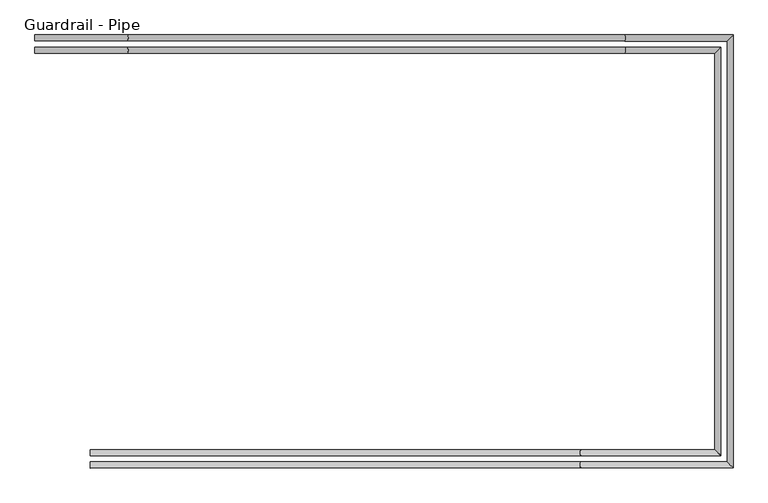
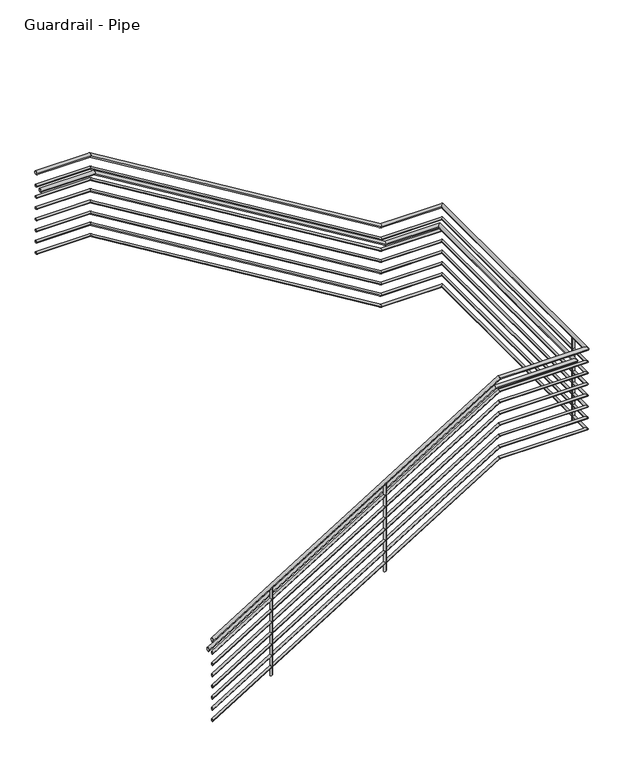
"""IFC4 building model written with IfcOpenShell, lengths in millimetres: railing geometry, Guardrail - Pipe."""

from ifc_helpers import new_model, si_unit, point, frame, frame_2d, origin, place, context, project, spatial, circle_curve, ellipse_curve, trimmed, segment, composite_curve, outline, extrude, source, transform, mapped, element, save
from ifc_brep_helpers import plane_surface, cylinder_surface, advanced_brep


def guardrail_pipe_08a5938f(model_context):
    return source(origin(), model_context, "Body", "SolidModel", [
        advanced_brep(
        [(2369.5904629, -21101.8840928, 5010.15), (2369.5904629, -21063.7840928, 5010.15), (2948.4563775, -21101.8840928, 5010.15), (2948.4563775, -21063.7840928, 5010.15), (6067.1266852, -21101.8840928, 3115.0891304), (6067.1266852, -21063.7840928, 3115.0891304), (6709.6952881, -21101.8840928, 3115.0891304), (6747.7952881, -21063.7840928, 3115.0891304), (6709.6952881, -23740.9587769, 3115.0891304), (6747.7952881, -23779.0587769, 3115.0891304), (5794.3463133, -23740.9587769, 3115.0891304), (5794.3463133, -23779.0587769, 3115.0891304), (2715.5452881, -23740.9587769, 1216.6979844), (2715.5452881, -23779.0587769, 1216.6979844)],
        [
            (0, 1, circle_curve(frame((2369.5904629, -21082.8340928, 5010.15), z_axis=(-1.0, 0.0, 0.0), x_axis=(0.0, 1.0, 0.0)), 19.05)),
            (1, 0, circle_curve(frame((2369.5904629, -21082.8340928, 5010.15), z_axis=(-1.0, 0.0, 0.0), x_axis=(0.0, 1.0, 0.0)), 19.05)),
            (0, 2),
            (2, 3, ellipse_curve(frame((2948.4563775, -21082.8340928, 5010.15), z_axis=(-0.9629628986433271, 0.0, 0.26963392931239477), x_axis=(-0.2696339293123945, 0.0, -0.9629628986433272)), 19.7826936, 19.05)),
            (3, 1),
            (3, 2, ellipse_curve(frame((2948.4563775, -21082.8340928, 5010.15), z_axis=(-0.9629628986433271, 0.0, 0.26963392931239477), x_axis=(-0.2696339293123945, 0.0, -0.9629628986433272)), 19.7826936, 19.05)),
            (2, 4),
            (4, 5, ellipse_curve(frame((6067.1266852, -21082.8340928, 3115.0891304), z_axis=(-0.9629628986433271, 0.0, 0.26963392931239477), x_axis=(0.2696339293123949, 0.0, 0.9629628986433271)), 19.7826936, 19.05)),
            (5, 3),
            (5, 4, ellipse_curve(frame((6067.1266852, -21082.8340928, 3115.0891304), z_axis=(-0.9629628986433271, 0.0, 0.26963392931239477), x_axis=(0.2696339293123949, 0.0, 0.9629628986433271)), 19.7826936, 19.05)),
            (4, 6),
            (6, 7, ellipse_curve(frame((6728.7452881, -21082.8340928, 3115.0891304), z_axis=(-0.7071067811865449, 0.70710678118655, 0.0), x_axis=(-0.7071067811865501, -0.7071067811865448, 0.0)), 26.9407684, 19.05)),
            (7, 5),
            (7, 6, ellipse_curve(frame((6728.7452881, -21082.8340928, 3115.0891304), z_axis=(-0.7071067811865449, 0.70710678118655, 0.0), x_axis=(-0.7071067811865501, -0.7071067811865448, 0.0)), 26.9407684, 19.05)),
            (6, 8),
            (8, 9, ellipse_curve(frame((6728.7452881, -23760.0087769, 3115.0891304), z_axis=(0.7071067811865501, 0.707106781186545, 0.0), x_axis=(-0.7071067811865451, 0.70710678118655, 0.0)), 26.9407684, 19.05)),
            (9, 7),
            (9, 8, ellipse_curve(frame((6728.7452881, -23760.0087769, 3115.0891304), z_axis=(0.7071067811865501, 0.707106781186545, 0.0), x_axis=(-0.7071067811865451, 0.70710678118655, 0.0)), 26.9407684, 19.05)),
            (8, 10),
            (10, 11, ellipse_curve(frame((5794.3463133, -23760.0087769, 3115.0891304), z_axis=(0.9620800176482948, 0.0, 0.2727673727590179), x_axis=(0.2727673727590174, 0.0, -0.9620800176482948)), 19.8008478, 19.05)),
            (11, 9),
            (11, 10, ellipse_curve(frame((5794.3463133, -23760.0087769, 3115.0891304), z_axis=(0.9620800176482948, 0.0, 0.2727673727590179), x_axis=(0.2727673727590174, 0.0, -0.9620800176482948)), 19.8008478, 19.05)),
            (12, 13, ellipse_curve(frame((2715.5452881, -23760.0087769, 1216.6979844), z_axis=(-1.0, 0.0, 0.0), x_axis=(0.0, 0.0, 1.0)), 22.3802764, 19.05)),
            (13, 12, ellipse_curve(frame((2715.5452881, -23760.0087769, 1216.6979844), z_axis=(-1.0, 0.0, 0.0), x_axis=(0.0, 0.0, 1.0)), 22.3802764, 19.05)),
            (10, 12),
            (13, 11),
        ],
        [
            plane_surface(frame((2369.5904629, -21082.8340928, 5029.2), z_axis=(-1.0, 0.0, 0.0), x_axis=(0.0, 1.0, 0.0))),
            cylinder_surface(frame((2369.5904629, -21082.8340928, 5010.15), z_axis=(-1.0, 0.0, 0.0), x_axis=(0.0, 1.0, 0.0)), 19.05),
            cylinder_surface(frame((2943.8978943, -21082.8340928, 5012.9199636), z_axis=(-0.8545950883271171, 0.0, 0.5192949402865072), x_axis=(0.0, 1.0, 0.0)), 19.05),
            cylinder_surface(frame((6072.4607706, -21082.8340928, 3115.0891304), z_axis=(-1.0, 0.0, 0.0), x_axis=(0.0, 1.0, 0.0)), 19.05),
            cylinder_surface(frame((6728.7452881, -21082.8340928, 3115.0891304), z_axis=(0.0, 1.0, 0.0), x_axis=(1.0, 0.0, 0.0)), 19.05),
            cylinder_surface(frame((6728.7452881, -23760.0087769, 3115.0891304), z_axis=(1.0, 0.0, 0.0), x_axis=(0.0, -1.0, 0.0)), 19.05),
            plane_surface(frame((2715.5452881, -23760.0087769, 1239.0782609), z_axis=(-1.0, 0.0, 0.0), x_axis=(0.0, -1.0, 0.0))),
            cylinder_surface(frame((5798.943644, -23760.0087769, 3117.9238481), z_axis=(0.851195920716286, 0.0, 0.5248480775957498), x_axis=(0.0, -1.0, 0.0)), 19.05),
        ],
        [
            (0, [[1, 2]]),
            (1, [[-1, 3, 4, 5]]),
            (1, [[-2, -5, 6, -3]]),
            (2, [[-4, 7, 8, 9]]),
            (2, [[-6, -9, 10, -7]]),
            (3, [[-8, 11, 12, 13]]),
            (3, [[-10, -13, 14, -11]]),
            (4, [[-12, 15, 16, 17]]),
            (4, [[-14, -17, 18, -15]]),
            (5, [[-16, 19, 20, 21]]),
            (5, [[-18, -21, 22, -19]]),
            (6, [[23, 24]]),
            (7, [[-20, 25, -24, 26]]),
            (7, [[-22, -26, -23, -25]]),
        ],
    ),
        advanced_brep(
        [(2369.5904629, -21095.5340928, 4864.1), (2369.5904629, -21070.1340928, 4864.1), (2950.2344059, -21095.5340928, 4864.1), (2950.2344059, -21070.1340928, 4864.1), (6068.9047136, -21095.5340928, 2969.0391304), (6068.9047136, -21070.1340928, 2969.0391304), (6716.0452881, -21095.5340928, 2969.0391304), (6741.4452881, -21070.1340928, 2969.0391304), (6716.0452881, -23747.3087769, 2969.0391304), (6741.4452881, -23772.7087769, 2969.0391304), (5792.5459716, -23747.3087769, 2969.0391304), (5792.5459716, -23772.7087769, 2969.0391304), (2715.5452881, -23747.3087769, 1071.7580766), (2715.5452881, -23772.7087769, 1071.7580766)],
        [
            (0, 1, circle_curve(frame((2369.5904629, -21082.8340928, 4864.1), z_axis=(-1.0, 0.0, 0.0), x_axis=(0.0, 1.0, 0.0)), 12.7)),
            (1, 0, circle_curve(frame((2369.5904629, -21082.8340928, 4864.1), z_axis=(-1.0, 0.0, 0.0), x_axis=(0.0, 1.0, 0.0)), 12.7)),
            (0, 2),
            (2, 3, ellipse_curve(frame((2950.2344059, -21082.8340928, 4864.1), z_axis=(-0.9629628986433271, 0.0, 0.26963392931239477), x_axis=(-0.2696339293123945, 0.0, -0.9629628986433272)), 13.1884624, 12.7)),
            (3, 1),
            (3, 2, ellipse_curve(frame((2950.2344059, -21082.8340928, 4864.1), z_axis=(-0.9629628986433271, 0.0, 0.26963392931239477), x_axis=(-0.2696339293123945, 0.0, -0.9629628986433272)), 13.1884624, 12.7)),
            (2, 4),
            (4, 5, ellipse_curve(frame((6068.9047136, -21082.8340928, 2969.0391304), z_axis=(-0.9629628986433271, 0.0, 0.26963392931239477), x_axis=(0.2696339293123949, 0.0, 0.9629628986433271)), 13.1884624, 12.7)),
            (5, 3),
            (5, 4, ellipse_curve(frame((6068.9047136, -21082.8340928, 2969.0391304), z_axis=(-0.9629628986433271, 0.0, 0.26963392931239477), x_axis=(0.2696339293123949, 0.0, 0.9629628986433271)), 13.1884624, 12.7)),
            (4, 6),
            (6, 7, ellipse_curve(frame((6728.7452881, -21082.8340928, 2969.0391304), z_axis=(-0.7071067811865449, 0.70710678118655, 0.0), x_axis=(-0.7071067811865501, -0.7071067811865448, 0.0)), 17.9605122, 12.7)),
            (7, 5),
            (7, 6, ellipse_curve(frame((6728.7452881, -21082.8340928, 2969.0391304), z_axis=(-0.7071067811865449, 0.70710678118655, 0.0), x_axis=(-0.7071067811865501, -0.7071067811865448, 0.0)), 17.9605122, 12.7)),
            (6, 8),
            (8, 9, ellipse_curve(frame((6728.7452881, -23760.0087769, 2969.0391304), z_axis=(0.7071067811865501, 0.707106781186545, 0.0), x_axis=(-0.7071067811865451, 0.70710678118655, 0.0)), 17.9605122, 12.7)),
            (9, 7),
            (9, 8, ellipse_curve(frame((6728.7452881, -23760.0087769, 2969.0391304), z_axis=(0.7071067811865501, 0.707106781186545, 0.0), x_axis=(-0.7071067811865451, 0.70710678118655, 0.0)), 17.9605122, 12.7)),
            (8, 10),
            (10, 11, ellipse_curve(frame((5792.5459716, -23760.0087769, 2969.0391304), z_axis=(0.9620800176482948, 0.0, 0.2727673727590179), x_axis=(0.2727673727590174, 0.0, -0.9620800176482948)), 13.2005652, 12.7)),
            (11, 9),
            (11, 10, ellipse_curve(frame((5792.5459716, -23760.0087769, 2969.0391304), z_axis=(0.9620800176482948, 0.0, 0.2727673727590179), x_axis=(0.2727673727590174, 0.0, -0.9620800176482948)), 13.2005652, 12.7)),
            (12, 13, ellipse_curve(frame((2715.5452881, -23760.0087769, 1071.7580766), z_axis=(-1.0, 0.0, 0.0), x_axis=(0.0, 0.0, 1.0)), 14.9201843, 12.7)),
            (13, 12, ellipse_curve(frame((2715.5452881, -23760.0087769, 1071.7580766), z_axis=(-1.0, 0.0, 0.0), x_axis=(0.0, 0.0, 1.0)), 14.9201843, 12.7)),
            (10, 12),
            (13, 11),
        ],
        [
            plane_surface(frame((2369.5904629, -21082.8340928, 4876.8), z_axis=(-1.0, 0.0, 0.0), x_axis=(0.0, 1.0, 0.0))),
            cylinder_surface(frame((2369.5904629, -21082.8340928, 4864.1), z_axis=(-1.0, 0.0, 0.0), x_axis=(0.0, 1.0, 0.0)), 12.7),
            cylinder_surface(frame((2947.1954171, -21082.8340928, 4865.9466424), z_axis=(-0.8545950883271171, 0.0, 0.5192949402865072), x_axis=(0.0, 1.0, 0.0)), 12.7),
            cylinder_surface(frame((6072.4607706, -21082.8340928, 2969.0391304), z_axis=(-1.0, 0.0, 0.0), x_axis=(0.0, 1.0, 0.0)), 12.7),
            cylinder_surface(frame((6728.7452881, -21082.8340928, 2969.0391304), z_axis=(0.0, 1.0, 0.0), x_axis=(1.0, 0.0, 0.0)), 12.7),
            cylinder_surface(frame((6728.7452881, -23760.0087769, 2969.0391304), z_axis=(1.0, 0.0, 0.0), x_axis=(0.0, -1.0, 0.0)), 12.7),
            plane_surface(frame((2715.5452881, -23760.0087769, 1086.6782609), z_axis=(-1.0, 0.0, 0.0), x_axis=(0.0, -1.0, 0.0))),
            cylinder_surface(frame((5795.6108587, -23760.0087769, 2970.9289422), z_axis=(0.851195920716286, 0.0, 0.5248480775957498), x_axis=(0.0, -1.0, 0.0)), 12.7),
        ],
        [
            (0, [[1, 2]]),
            (1, [[-1, 3, 4, 5]]),
            (1, [[-2, -5, 6, -3]]),
            (2, [[-4, 7, 8, 9]]),
            (2, [[-6, -9, 10, -7]]),
            (3, [[-8, 11, 12, 13]]),
            (3, [[-10, -13, 14, -11]]),
            (4, [[-12, 15, 16, 17]]),
            (4, [[-14, -17, 18, -15]]),
            (5, [[-16, 19, 20, 21]]),
            (5, [[-18, -21, 22, -19]]),
            (6, [[23, 24]]),
            (7, [[-20, 25, -24, 26]]),
            (7, [[-22, -26, -23, -25]]),
        ],
    ),
        advanced_brep(
        [(2369.5904629, -21178.0840928, 4857.75), (2369.5904629, -21139.9840928, 4857.75), (2948.4563775, -21178.0840928, 4857.75), (2948.4563775, -21139.9840928, 4857.75), (6067.1266852, -21178.0840928, 2962.6891304), (6067.1266852, -21139.9840928, 2962.6891304), (6633.4952881, -21178.0840928, 2962.6891304), (6671.5952881, -21139.9840928, 2962.6891304), (6633.4952881, -23664.7587769, 2962.6891304), (6671.5952881, -23702.8587769, 2962.6891304), (5794.3463133, -23664.7587769, 2962.6891304), (5794.3463133, -23702.8587769, 2962.6891304), (2715.5452881, -23664.7587769, 1064.2979844), (2715.5452881, -23702.8587769, 1064.2979844)],
        [
            (0, 1, circle_curve(frame((2369.5904629, -21159.0340928, 4857.75), z_axis=(-1.0, 0.0, 0.0), x_axis=(0.0, 1.0, 0.0)), 19.05)),
            (1, 0, circle_curve(frame((2369.5904629, -21159.0340928, 4857.75), z_axis=(-1.0, 0.0, 0.0), x_axis=(0.0, 1.0, 0.0)), 19.05)),
            (0, 2),
            (2, 3, ellipse_curve(frame((2948.4563775, -21159.0340928, 4857.75), z_axis=(-0.9629628986433271, 0.0, 0.26963392931239477), x_axis=(-0.2696339293123945, 0.0, -0.9629628986433272)), 19.7826936, 19.05)),
            (3, 1),
            (3, 2, ellipse_curve(frame((2948.4563775, -21159.0340928, 4857.75), z_axis=(-0.9629628986433271, 0.0, 0.26963392931239477), x_axis=(-0.2696339293123945, 0.0, -0.9629628986433272)), 19.7826936, 19.05)),
            (2, 4),
            (4, 5, ellipse_curve(frame((6067.1266852, -21159.0340928, 2962.6891304), z_axis=(-0.9629628986433271, 0.0, 0.26963392931239477), x_axis=(0.2696339293123949, 0.0, 0.9629628986433271)), 19.7826936, 19.05)),
            (5, 3),
            (5, 4, ellipse_curve(frame((6067.1266852, -21159.0340928, 2962.6891304), z_axis=(-0.9629628986433271, 0.0, 0.26963392931239477), x_axis=(0.2696339293123949, 0.0, 0.9629628986433271)), 19.7826936, 19.05)),
            (4, 6),
            (6, 7, ellipse_curve(frame((6652.5452881, -21159.0340928, 2962.6891304), z_axis=(-0.7071067811865449, 0.70710678118655, 0.0), x_axis=(-0.7071067811865501, -0.7071067811865448, 0.0)), 26.9407684, 19.05)),
            (7, 5),
            (7, 6, ellipse_curve(frame((6652.5452881, -21159.0340928, 2962.6891304), z_axis=(-0.7071067811865449, 0.70710678118655, 0.0), x_axis=(-0.7071067811865501, -0.7071067811865448, 0.0)), 26.9407684, 19.05)),
            (6, 8),
            (8, 9, ellipse_curve(frame((6652.5452881, -23683.8087769, 2962.6891304), z_axis=(0.7071067811865501, 0.707106781186545, 0.0), x_axis=(-0.7071067811865451, 0.70710678118655, 0.0)), 26.9407684, 19.05)),
            (9, 7),
            (9, 8, ellipse_curve(frame((6652.5452881, -23683.8087769, 2962.6891304), z_axis=(0.7071067811865501, 0.707106781186545, 0.0), x_axis=(-0.7071067811865451, 0.70710678118655, 0.0)), 26.9407684, 19.05)),
            (8, 10),
            (10, 11, ellipse_curve(frame((5794.3463133, -23683.8087769, 2962.6891304), z_axis=(0.9620800176482948, 0.0, 0.2727673727590179), x_axis=(0.2727673727590174, 0.0, -0.9620800176482948)), 19.8008478, 19.05)),
            (11, 9),
            (11, 10, ellipse_curve(frame((5794.3463133, -23683.8087769, 2962.6891304), z_axis=(0.9620800176482948, 0.0, 0.2727673727590179), x_axis=(0.2727673727590174, 0.0, -0.9620800176482948)), 19.8008478, 19.05)),
            (12, 13, ellipse_curve(frame((2715.5452881, -23683.8087769, 1064.2979844), z_axis=(-1.0, 0.0, 0.0), x_axis=(0.0, 0.0, 1.0)), 22.3802764, 19.05)),
            (13, 12, ellipse_curve(frame((2715.5452881, -23683.8087769, 1064.2979844), z_axis=(-1.0, 0.0, 0.0), x_axis=(0.0, 0.0, 1.0)), 22.3802764, 19.05)),
            (10, 12),
            (13, 11),
        ],
        [
            plane_surface(frame((2369.5904629, -21159.0340928, 4876.8), z_axis=(-1.0, 0.0, 0.0), x_axis=(0.0, 1.0, 0.0))),
            cylinder_surface(frame((2369.5904629, -21159.0340928, 4857.75), z_axis=(-1.0, 0.0, 0.0), x_axis=(0.0, 1.0, 0.0)), 19.05),
            cylinder_surface(frame((2943.8978943, -21159.0340928, 4860.5199636), z_axis=(-0.8545950883271171, 0.0, 0.5192949402865072), x_axis=(0.0, 1.0, 0.0)), 19.05),
            cylinder_surface(frame((6072.4607706, -21159.0340928, 2962.6891304), z_axis=(-1.0, 0.0, 0.0), x_axis=(0.0, 1.0, 0.0)), 19.05),
            cylinder_surface(frame((6652.5452881, -21159.0340928, 2962.6891304), z_axis=(0.0, 1.0, 0.0), x_axis=(1.0, 0.0, 0.0)), 19.05),
            cylinder_surface(frame((6652.5452881, -23683.8087769, 2962.6891304), z_axis=(1.0, 0.0, 0.0), x_axis=(0.0, -1.0, 0.0)), 19.05),
            plane_surface(frame((2715.5452881, -23683.8087769, 1086.6782609), z_axis=(-1.0, 0.0, 0.0), x_axis=(0.0, -1.0, 0.0))),
            cylinder_surface(frame((5798.943644, -23683.8087769, 2965.5238481), z_axis=(0.851195920716286, 0.0, 0.5248480775957498), x_axis=(0.0, -1.0, 0.0)), 19.05),
        ],
        [
            (0, [[1, 2]]),
            (1, [[-1, 3, 4, 5]]),
            (1, [[-2, -5, 6, -3]]),
            (2, [[-4, 7, 8, 9]]),
            (2, [[-6, -9, 10, -7]]),
            (3, [[-8, 11, 12, 13]]),
            (3, [[-10, -13, 14, -11]]),
            (4, [[-12, 15, 16, 17]]),
            (4, [[-14, -17, 18, -15]]),
            (5, [[-16, 19, 20, 21]]),
            (5, [[-18, -21, 22, -19]]),
            (6, [[23, 24]]),
            (7, [[-20, 25, -24, 26]]),
            (7, [[-22, -26, -23, -25]]),
        ],
    ),
        advanced_brep(
        [(2369.5904629, -21095.5340928, 4737.1), (2369.5904629, -21070.1340928, 4737.1), (2950.2344059, -21095.5340928, 4737.1), (2950.2344059, -21070.1340928, 4737.1), (6068.9047136, -21095.5340928, 2842.0391304), (6068.9047136, -21070.1340928, 2842.0391304), (6716.0452881, -21095.5340928, 2842.0391304), (6741.4452881, -21070.1340928, 2842.0391304), (6716.0452881, -23747.3087769, 2842.0391304), (6741.4452881, -23772.7087769, 2842.0391304), (5792.5459716, -23747.3087769, 2842.0391304), (5792.5459716, -23772.7087769, 2842.0391304), (2715.5452881, -23747.3087769, 944.7580766), (2715.5452881, -23772.7087769, 944.7580766)],
        [
            (0, 1, circle_curve(frame((2369.5904629, -21082.8340928, 4737.1), z_axis=(-1.0, 0.0, 0.0), x_axis=(0.0, 1.0, 0.0)), 12.7)),
            (1, 0, circle_curve(frame((2369.5904629, -21082.8340928, 4737.1), z_axis=(-1.0, 0.0, 0.0), x_axis=(0.0, 1.0, 0.0)), 12.7)),
            (0, 2),
            (2, 3, ellipse_curve(frame((2950.2344059, -21082.8340928, 4737.1), z_axis=(-0.9629628986433271, 0.0, 0.2696339293123947), x_axis=(-0.2696339293123945, 0.0, -0.962962898643327)), 13.1884624, 12.7)),
            (3, 1),
            (3, 2, ellipse_curve(frame((2950.2344059, -21082.8340928, 4737.1), z_axis=(-0.9629628986433271, 0.0, 0.2696339293123947), x_axis=(-0.2696339293123945, 0.0, -0.962962898643327)), 13.1884624, 12.7)),
            (2, 4),
            (4, 5, ellipse_curve(frame((6068.9047136, -21082.8340928, 2842.0391304), z_axis=(-0.9629628986433271, 0.0, 0.26963392931239477), x_axis=(0.2696339293123949, 0.0, 0.9629628986433268)), 13.1884624, 12.7)),
            (5, 3),
            (5, 4, ellipse_curve(frame((6068.9047136, -21082.8340928, 2842.0391304), z_axis=(-0.9629628986433271, 0.0, 0.26963392931239477), x_axis=(0.2696339293123949, 0.0, 0.9629628986433268)), 13.1884624, 12.7)),
            (4, 6),
            (6, 7, ellipse_curve(frame((6728.7452881, -21082.8340928, 2842.0391304), z_axis=(-0.7071067811865449, 0.70710678118655, 0.0), x_axis=(-0.7071067811865501, -0.7071067811865448, 0.0)), 17.9605122, 12.7)),
            (7, 5),
            (7, 6, ellipse_curve(frame((6728.7452881, -21082.8340928, 2842.0391304), z_axis=(-0.7071067811865449, 0.70710678118655, 0.0), x_axis=(-0.7071067811865501, -0.7071067811865448, 0.0)), 17.9605122, 12.7)),
            (6, 8),
            (8, 9, ellipse_curve(frame((6728.7452881, -23760.0087769, 2842.0391304), z_axis=(0.7071067811865501, 0.707106781186545, 0.0), x_axis=(-0.7071067811865451, 0.70710678118655, 0.0)), 17.9605122, 12.7)),
            (9, 7),
            (9, 8, ellipse_curve(frame((6728.7452881, -23760.0087769, 2842.0391304), z_axis=(0.7071067811865501, 0.707106781186545, 0.0), x_axis=(-0.7071067811865451, 0.70710678118655, 0.0)), 17.9605122, 12.7)),
            (8, 10),
            (10, 11, ellipse_curve(frame((5792.5459716, -23760.0087769, 2842.0391304), z_axis=(0.9620800176482945, 0.0, 0.27276737275901797), x_axis=(0.272767372759019, 0.0, -0.9620800176482944)), 13.2005652, 12.7)),
            (11, 9),
            (11, 10, ellipse_curve(frame((5792.5459716, -23760.0087769, 2842.0391304), z_axis=(0.9620800176482945, 0.0, 0.27276737275901797), x_axis=(0.272767372759019, 0.0, -0.9620800176482944)), 13.2005652, 12.7)),
            (12, 13, ellipse_curve(frame((2715.5452881, -23760.0087769, 944.7580766), z_axis=(-1.0, 0.0, 0.0), x_axis=(0.0, 0.0, 1.0)), 14.9201843, 12.7)),
            (13, 12, ellipse_curve(frame((2715.5452881, -23760.0087769, 944.7580766), z_axis=(-1.0, 0.0, 0.0), x_axis=(0.0, 0.0, 1.0)), 14.9201843, 12.7)),
            (10, 12),
            (13, 11),
        ],
        [
            plane_surface(frame((2369.5904629, -21082.8340928, 4749.8), z_axis=(-1.0, 0.0, 0.0), x_axis=(0.0, 1.0, 0.0))),
            cylinder_surface(frame((2369.5904629, -21082.8340928, 4737.1), z_axis=(-1.0, 0.0, 0.0), x_axis=(0.0, 1.0, 0.0)), 12.7),
            cylinder_surface(frame((2947.1954171, -21082.8340928, 4738.9466424), z_axis=(-0.8545950883271171, 0.0, 0.5192949402865071), x_axis=(0.0, 1.0, 0.0)), 12.7),
            cylinder_surface(frame((6072.4607706, -21082.8340928, 2842.0391304), z_axis=(-1.0, 0.0, 0.0), x_axis=(0.0, 1.0, 0.0)), 12.7),
            cylinder_surface(frame((6728.7452881, -21082.8340928, 2842.0391304), z_axis=(0.0, 1.0, 0.0), x_axis=(1.0, 0.0, 0.0)), 12.7),
            cylinder_surface(frame((6728.7452881, -23760.0087769, 2842.0391304), z_axis=(1.0, 0.0, 0.0), x_axis=(0.0, -1.0, 0.0)), 12.7),
            plane_surface(frame((2715.5452881, -23760.0087769, 959.6782609), z_axis=(-1.0, 0.0, 0.0), x_axis=(0.0, -1.0, 0.0))),
            cylinder_surface(frame((5795.6108587, -23760.0087769, 2843.9289422), z_axis=(0.851195920716286, 0.0, 0.5248480775957499), x_axis=(0.0, -1.0, 0.0)), 12.7),
        ],
        [
            (0, [[1, 2]]),
            (1, [[-1, 3, 4, 5]]),
            (1, [[-2, -5, 6, -3]]),
            (2, [[-4, 7, 8, 9]]),
            (2, [[-6, -9, 10, -7]]),
            (3, [[-8, 11, 12, 13]]),
            (3, [[-10, -13, 14, -11]]),
            (4, [[-12, 15, 16, 17]]),
            (4, [[-14, -17, 18, -15]]),
            (5, [[-16, 19, 20, 21]]),
            (5, [[-18, -21, 22, -19]]),
            (6, [[23, 24]]),
            (7, [[-20, 25, -24, 26]]),
            (7, [[-22, -26, -23, -25]]),
        ],
    ),
        advanced_brep(
        [(2369.5904629, -21095.5340928, 4610.1), (2369.5904629, -21070.1340928, 4610.1), (2950.2344059, -21095.5340928, 4610.1), (2950.2344059, -21070.1340928, 4610.1), (6068.9047136, -21095.5340928, 2715.0391304), (6068.9047136, -21070.1340928, 2715.0391304), (6716.0452881, -21095.5340928, 2715.0391304), (6741.4452881, -21070.1340928, 2715.0391304), (6716.0452881, -23747.3087769, 2715.0391304), (6741.4452881, -23772.7087769, 2715.0391304), (5792.5459716, -23747.3087769, 2715.0391304), (5792.5459716, -23772.7087769, 2715.0391304), (2715.5452881, -23747.3087769, 817.7580766), (2715.5452881, -23772.7087769, 817.7580766)],
        [
            (0, 1, circle_curve(frame((2369.5904629, -21082.8340928, 4610.1), z_axis=(-1.0, 0.0, 0.0), x_axis=(0.0, 1.0, 0.0)), 12.7)),
            (1, 0, circle_curve(frame((2369.5904629, -21082.8340928, 4610.1), z_axis=(-1.0, 0.0, 0.0), x_axis=(0.0, 1.0, 0.0)), 12.7)),
            (0, 2),
            (2, 3, ellipse_curve(frame((2950.2344059, -21082.8340928, 4610.1), z_axis=(-0.9629628986433271, 0.0, 0.26963392931239477), x_axis=(-0.2696339293123945, 0.0, -0.9629628986433272)), 13.1884624, 12.7)),
            (3, 1),
            (3, 2, ellipse_curve(frame((2950.2344059, -21082.8340928, 4610.1), z_axis=(-0.9629628986433271, 0.0, 0.26963392931239477), x_axis=(-0.2696339293123945, 0.0, -0.9629628986433272)), 13.1884624, 12.7)),
            (2, 4),
            (4, 5, ellipse_curve(frame((6068.9047136, -21082.8340928, 2715.0391304), z_axis=(-0.9629628986433271, 0.0, 0.26963392931239477), x_axis=(0.2696339293123949, 0.0, 0.9629628986433271)), 13.1884624, 12.7)),
            (5, 3),
            (5, 4, ellipse_curve(frame((6068.9047136, -21082.8340928, 2715.0391304), z_axis=(-0.9629628986433271, 0.0, 0.26963392931239477), x_axis=(0.2696339293123949, 0.0, 0.9629628986433271)), 13.1884624, 12.7)),
            (4, 6),
            (6, 7, ellipse_curve(frame((6728.7452881, -21082.8340928, 2715.0391304), z_axis=(-0.7071067811865449, 0.70710678118655, 0.0), x_axis=(-0.7071067811865501, -0.7071067811865448, 0.0)), 17.9605122, 12.7)),
            (7, 5),
            (7, 6, ellipse_curve(frame((6728.7452881, -21082.8340928, 2715.0391304), z_axis=(-0.7071067811865449, 0.70710678118655, 0.0), x_axis=(-0.7071067811865501, -0.7071067811865448, 0.0)), 17.9605122, 12.7)),
            (6, 8),
            (8, 9, ellipse_curve(frame((6728.7452881, -23760.0087769, 2715.0391304), z_axis=(0.7071067811865501, 0.707106781186545, 0.0), x_axis=(-0.7071067811865451, 0.70710678118655, 0.0)), 17.9605122, 12.7)),
            (9, 7),
            (9, 8, ellipse_curve(frame((6728.7452881, -23760.0087769, 2715.0391304), z_axis=(0.7071067811865501, 0.707106781186545, 0.0), x_axis=(-0.7071067811865451, 0.70710678118655, 0.0)), 17.9605122, 12.7)),
            (8, 10),
            (10, 11, ellipse_curve(frame((5792.5459716, -23760.0087769, 2715.0391304), z_axis=(0.9620800176482948, 0.0, 0.2727673727590179), x_axis=(0.2727673727590174, 0.0, -0.9620800176482948)), 13.2005652, 12.7)),
            (11, 9),
            (11, 10, ellipse_curve(frame((5792.5459716, -23760.0087769, 2715.0391304), z_axis=(0.9620800176482948, 0.0, 0.2727673727590179), x_axis=(0.2727673727590174, 0.0, -0.9620800176482948)), 13.2005652, 12.7)),
            (12, 13, ellipse_curve(frame((2715.5452881, -23760.0087769, 817.7580766), z_axis=(-1.0, 0.0, 0.0), x_axis=(0.0, 0.0, 1.0)), 14.9201843, 12.7)),
            (13, 12, ellipse_curve(frame((2715.5452881, -23760.0087769, 817.7580766), z_axis=(-1.0, 0.0, 0.0), x_axis=(0.0, 0.0, 1.0)), 14.9201843, 12.7)),
            (10, 12),
            (13, 11),
        ],
        [
            plane_surface(frame((2369.5904629, -21082.8340928, 4622.8), z_axis=(-1.0, 0.0, 0.0), x_axis=(0.0, 1.0, 0.0))),
            cylinder_surface(frame((2369.5904629, -21082.8340928, 4610.1), z_axis=(-1.0, 0.0, 0.0), x_axis=(0.0, 1.0, 0.0)), 12.7),
            cylinder_surface(frame((2947.1954171, -21082.8340928, 4611.9466424), z_axis=(-0.8545950883271171, 0.0, 0.5192949402865072), x_axis=(0.0, 1.0, 0.0)), 12.7),
            cylinder_surface(frame((6072.4607706, -21082.8340928, 2715.0391304), z_axis=(-1.0, 0.0, 0.0), x_axis=(0.0, 1.0, 0.0)), 12.7),
            cylinder_surface(frame((6728.7452881, -21082.8340928, 2715.0391304), z_axis=(0.0, 1.0, 0.0), x_axis=(1.0, 0.0, 0.0)), 12.7),
            cylinder_surface(frame((6728.7452881, -23760.0087769, 2715.0391304), z_axis=(1.0, 0.0, 0.0), x_axis=(0.0, -1.0, 0.0)), 12.7),
            plane_surface(frame((2715.5452881, -23760.0087769, 832.6782609), z_axis=(-1.0, 0.0, 0.0), x_axis=(0.0, -1.0, 0.0))),
            cylinder_surface(frame((5795.6108587, -23760.0087769, 2716.9289422), z_axis=(0.851195920716286, 0.0, 0.5248480775957498), x_axis=(0.0, -1.0, 0.0)), 12.7),
        ],
        [
            (0, [[1, 2]]),
            (1, [[-1, 3, 4, 5]]),
            (1, [[-2, -5, 6, -3]]),
            (2, [[-4, 7, 8, 9]]),
            (2, [[-6, -9, 10, -7]]),
            (3, [[-8, 11, 12, 13]]),
            (3, [[-10, -13, 14, -11]]),
            (4, [[-12, 15, 16, 17]]),
            (4, [[-14, -17, 18, -15]]),
            (5, [[-16, 19, 20, 21]]),
            (5, [[-18, -21, 22, -19]]),
            (6, [[23, 24]]),
            (7, [[-20, 25, -24, 26]]),
            (7, [[-22, -26, -23, -25]]),
        ],
    ),
        advanced_brep(
        [(2369.5904629, -21095.5340928, 4483.1), (2369.5904629, -21070.1340928, 4483.1), (2950.2344059, -21095.5340928, 4483.1), (2950.2344059, -21070.1340928, 4483.1), (6068.9047136, -21095.5340928, 2588.0391304), (6068.9047136, -21070.1340928, 2588.0391304), (6716.0452881, -21095.5340928, 2588.0391304), (6741.4452881, -21070.1340928, 2588.0391304), (6716.0452881, -23747.3087769, 2588.0391304), (6741.4452881, -23772.7087769, 2588.0391304), (5792.5459716, -23747.3087769, 2588.0391304), (5792.5459716, -23772.7087769, 2588.0391304), (2715.5452881, -23747.3087769, 690.7580766), (2715.5452881, -23772.7087769, 690.7580766)],
        [
            (0, 1, circle_curve(frame((2369.5904629, -21082.8340928, 4483.1), z_axis=(-1.0, 0.0, 0.0), x_axis=(0.0, 1.0, 0.0)), 12.7)),
            (1, 0, circle_curve(frame((2369.5904629, -21082.8340928, 4483.1), z_axis=(-1.0, 0.0, 0.0), x_axis=(0.0, 1.0, 0.0)), 12.7)),
            (0, 2),
            (2, 3, ellipse_curve(frame((2950.2344059, -21082.8340928, 4483.1), z_axis=(-0.9629628986433271, 0.0, 0.26963392931239477), x_axis=(-0.2696339293123945, 0.0, -0.9629628986433272)), 13.1884624, 12.7)),
            (3, 1),
            (3, 2, ellipse_curve(frame((2950.2344059, -21082.8340928, 4483.1), z_axis=(-0.9629628986433271, 0.0, 0.26963392931239477), x_axis=(-0.2696339293123945, 0.0, -0.9629628986433272)), 13.1884624, 12.7)),
            (2, 4),
            (4, 5, ellipse_curve(frame((6068.9047136, -21082.8340928, 2588.0391304), z_axis=(-0.9629628986433271, 0.0, 0.26963392931239477), x_axis=(0.2696339293123949, 0.0, 0.9629628986433271)), 13.1884624, 12.7)),
            (5, 3),
            (5, 4, ellipse_curve(frame((6068.9047136, -21082.8340928, 2588.0391304), z_axis=(-0.9629628986433271, 0.0, 0.26963392931239477), x_axis=(0.2696339293123949, 0.0, 0.9629628986433271)), 13.1884624, 12.7)),
            (4, 6),
            (6, 7, ellipse_curve(frame((6728.7452881, -21082.8340928, 2588.0391304), z_axis=(-0.7071067811865449, 0.70710678118655, 0.0), x_axis=(-0.7071067811865501, -0.7071067811865448, 0.0)), 17.9605122, 12.7)),
            (7, 5),
            (7, 6, ellipse_curve(frame((6728.7452881, -21082.8340928, 2588.0391304), z_axis=(-0.7071067811865449, 0.70710678118655, 0.0), x_axis=(-0.7071067811865501, -0.7071067811865448, 0.0)), 17.9605122, 12.7)),
            (6, 8),
            (8, 9, ellipse_curve(frame((6728.7452881, -23760.0087769, 2588.0391304), z_axis=(0.7071067811865501, 0.707106781186545, 0.0), x_axis=(-0.7071067811865451, 0.70710678118655, 0.0)), 17.9605122, 12.7)),
            (9, 7),
            (9, 8, ellipse_curve(frame((6728.7452881, -23760.0087769, 2588.0391304), z_axis=(0.7071067811865501, 0.707106781186545, 0.0), x_axis=(-0.7071067811865451, 0.70710678118655, 0.0)), 17.9605122, 12.7)),
            (8, 10),
            (10, 11, ellipse_curve(frame((5792.5459716, -23760.0087769, 2588.0391304), z_axis=(0.9620800176482948, 0.0, 0.2727673727590179), x_axis=(0.2727673727590174, 0.0, -0.9620800176482948)), 13.2005652, 12.7)),
            (11, 9),
            (11, 10, ellipse_curve(frame((5792.5459716, -23760.0087769, 2588.0391304), z_axis=(0.9620800176482948, 0.0, 0.2727673727590179), x_axis=(0.2727673727590174, 0.0, -0.9620800176482948)), 13.2005652, 12.7)),
            (12, 13, ellipse_curve(frame((2715.5452881, -23760.0087769, 690.7580766), z_axis=(-1.0, 0.0, 0.0), x_axis=(0.0, 0.0, 1.0)), 14.9201843, 12.7)),
            (13, 12, ellipse_curve(frame((2715.5452881, -23760.0087769, 690.7580766), z_axis=(-1.0, 0.0, 0.0), x_axis=(0.0, 0.0, 1.0)), 14.9201843, 12.7)),
            (10, 12),
            (13, 11),
        ],
        [
            plane_surface(frame((2369.5904629, -21082.8340928, 4495.8), z_axis=(-1.0, 0.0, 0.0), x_axis=(0.0, 1.0, 0.0))),
            cylinder_surface(frame((2369.5904629, -21082.8340928, 4483.1), z_axis=(-1.0, 0.0, 0.0), x_axis=(0.0, 1.0, 0.0)), 12.7),
            cylinder_surface(frame((2947.1954171, -21082.8340928, 4484.9466424), z_axis=(-0.8545950883271171, 0.0, 0.5192949402865072), x_axis=(0.0, 1.0, 0.0)), 12.7),
            cylinder_surface(frame((6072.4607706, -21082.8340928, 2588.0391304), z_axis=(-1.0, 0.0, 0.0), x_axis=(0.0, 1.0, 0.0)), 12.7),
            cylinder_surface(frame((6728.7452881, -21082.8340928, 2588.0391304), z_axis=(0.0, 1.0, 0.0), x_axis=(1.0, 0.0, 0.0)), 12.7),
            cylinder_surface(frame((6728.7452881, -23760.0087769, 2588.0391304), z_axis=(1.0, 0.0, 0.0), x_axis=(0.0, -1.0, 0.0)), 12.7),
            plane_surface(frame((2715.5452881, -23760.0087769, 705.6782609), z_axis=(-1.0, 0.0, 0.0), x_axis=(0.0, -1.0, 0.0))),
            cylinder_surface(frame((5795.6108587, -23760.0087769, 2589.9289422), z_axis=(0.851195920716286, 0.0, 0.5248480775957498), x_axis=(0.0, -1.0, 0.0)), 12.7),
        ],
        [
            (0, [[1, 2]]),
            (1, [[-1, 3, 4, 5]]),
            (1, [[-2, -5, 6, -3]]),
            (2, [[-4, 7, 8, 9]]),
            (2, [[-6, -9, 10, -7]]),
            (3, [[-8, 11, 12, 13]]),
            (3, [[-10, -13, 14, -11]]),
            (4, [[-12, 15, 16, 17]]),
            (4, [[-14, -17, 18, -15]]),
            (5, [[-16, 19, 20, 21]]),
            (5, [[-18, -21, 22, -19]]),
            (6, [[23, 24]]),
            (7, [[-20, 25, -24, 26]]),
            (7, [[-22, -26, -23, -25]]),
        ],
    ),
        advanced_brep(
        [(2369.5904629, -21095.5340928, 4356.1), (2369.5904629, -21070.1340928, 4356.1), (2950.2344059, -21095.5340928, 4356.1), (2950.2344059, -21070.1340928, 4356.1), (6068.9047136, -21095.5340928, 2461.0391304), (6068.9047136, -21070.1340928, 2461.0391304), (6716.0452881, -21095.5340928, 2461.0391304), (6741.4452881, -21070.1340928, 2461.0391304), (6716.0452881, -23747.3087769, 2461.0391304), (6741.4452881, -23772.7087769, 2461.0391304), (5792.5459716, -23747.3087769, 2461.0391304), (5792.5459716, -23772.7087769, 2461.0391304), (2715.5452881, -23747.3087769, 563.7580766), (2715.5452881, -23772.7087769, 563.7580766)],
        [
            (0, 1, circle_curve(frame((2369.5904629, -21082.8340928, 4356.1), z_axis=(-1.0, 0.0, 0.0), x_axis=(0.0, 1.0, 0.0)), 12.7)),
            (1, 0, circle_curve(frame((2369.5904629, -21082.8340928, 4356.1), z_axis=(-1.0, 0.0, 0.0), x_axis=(0.0, 1.0, 0.0)), 12.7)),
            (0, 2),
            (2, 3, ellipse_curve(frame((2950.2344059, -21082.8340928, 4356.1), z_axis=(-0.9629628986433271, 0.0, 0.26963392931239477), x_axis=(-0.2696339293123945, 0.0, -0.9629628986433272)), 13.1884624, 12.7)),
            (3, 1),
            (3, 2, ellipse_curve(frame((2950.2344059, -21082.8340928, 4356.1), z_axis=(-0.9629628986433271, 0.0, 0.26963392931239477), x_axis=(-0.2696339293123945, 0.0, -0.9629628986433272)), 13.1884624, 12.7)),
            (2, 4),
            (4, 5, ellipse_curve(frame((6068.9047136, -21082.8340928, 2461.0391304), z_axis=(-0.9629628986433271, 0.0, 0.26963392931239477), x_axis=(0.2696339293123949, 0.0, 0.9629628986433271)), 13.1884624, 12.7)),
            (5, 3),
            (5, 4, ellipse_curve(frame((6068.9047136, -21082.8340928, 2461.0391304), z_axis=(-0.9629628986433271, 0.0, 0.26963392931239477), x_axis=(0.2696339293123949, 0.0, 0.9629628986433271)), 13.1884624, 12.7)),
            (4, 6),
            (6, 7, ellipse_curve(frame((6728.7452881, -21082.8340928, 2461.0391304), z_axis=(-0.7071067811865449, 0.70710678118655, 0.0), x_axis=(-0.7071067811865501, -0.7071067811865448, 0.0)), 17.9605122, 12.7)),
            (7, 5),
            (7, 6, ellipse_curve(frame((6728.7452881, -21082.8340928, 2461.0391304), z_axis=(-0.7071067811865449, 0.70710678118655, 0.0), x_axis=(-0.7071067811865501, -0.7071067811865448, 0.0)), 17.9605122, 12.7)),
            (6, 8),
            (8, 9, ellipse_curve(frame((6728.7452881, -23760.0087769, 2461.0391304), z_axis=(0.7071067811865501, 0.707106781186545, 0.0), x_axis=(-0.7071067811865451, 0.70710678118655, 0.0)), 17.9605122, 12.7)),
            (9, 7),
            (9, 8, ellipse_curve(frame((6728.7452881, -23760.0087769, 2461.0391304), z_axis=(0.7071067811865501, 0.707106781186545, 0.0), x_axis=(-0.7071067811865451, 0.70710678118655, 0.0)), 17.9605122, 12.7)),
            (8, 10),
            (10, 11, ellipse_curve(frame((5792.5459716, -23760.0087769, 2461.0391304), z_axis=(0.9620800176482945, 0.0, 0.2727673727590179), x_axis=(0.272767372759019, 0.0, -0.9620800176482944)), 13.2005652, 12.7)),
            (11, 9),
            (11, 10, ellipse_curve(frame((5792.5459716, -23760.0087769, 2461.0391304), z_axis=(0.9620800176482945, 0.0, 0.2727673727590179), x_axis=(0.272767372759019, 0.0, -0.9620800176482944)), 13.2005652, 12.7)),
            (12, 13, ellipse_curve(frame((2715.5452881, -23760.0087769, 563.7580766), z_axis=(-1.0, 0.0, 0.0), x_axis=(0.0, 0.0, 1.0)), 14.9201843, 12.7)),
            (13, 12, ellipse_curve(frame((2715.5452881, -23760.0087769, 563.7580766), z_axis=(-1.0, 0.0, 0.0), x_axis=(0.0, 0.0, 1.0)), 14.9201843, 12.7)),
            (10, 12),
            (13, 11),
        ],
        [
            plane_surface(frame((2369.5904629, -21082.8340928, 4368.8), z_axis=(-1.0, 0.0, 0.0), x_axis=(0.0, 1.0, 0.0))),
            cylinder_surface(frame((2369.5904629, -21082.8340928, 4356.1), z_axis=(-1.0, 0.0, 0.0), x_axis=(0.0, 1.0, 0.0)), 12.7),
            cylinder_surface(frame((2947.1954171, -21082.8340928, 4357.9466424), z_axis=(-0.8545950883271171, 0.0, 0.5192949402865072), x_axis=(0.0, 1.0, 0.0)), 12.7),
            cylinder_surface(frame((6072.4607706, -21082.8340928, 2461.0391304), z_axis=(-1.0, 0.0, 0.0), x_axis=(0.0, 1.0, 0.0)), 12.7),
            cylinder_surface(frame((6728.7452881, -21082.8340928, 2461.0391304), z_axis=(0.0, 1.0, 0.0), x_axis=(1.0, 0.0, 0.0)), 12.7),
            cylinder_surface(frame((6728.7452881, -23760.0087769, 2461.0391304), z_axis=(1.0, 0.0, 0.0), x_axis=(0.0, -1.0, 0.0)), 12.7),
            plane_surface(frame((2715.5452881, -23760.0087769, 578.6782609), z_axis=(-1.0, 0.0, 0.0), x_axis=(0.0, -1.0, 0.0))),
            cylinder_surface(frame((5795.6108587, -23760.0087769, 2462.9289422), z_axis=(0.8511959207162859, 0.0, 0.5248480775957499), x_axis=(0.0, -1.0, 0.0)), 12.7),
        ],
        [
            (0, [[1, 2]]),
            (1, [[-1, 3, 4, 5]]),
            (1, [[-2, -5, 6, -3]]),
            (2, [[-4, 7, 8, 9]]),
            (2, [[-6, -9, 10, -7]]),
            (3, [[-8, 11, 12, 13]]),
            (3, [[-10, -13, 14, -11]]),
            (4, [[-12, 15, 16, 17]]),
            (4, [[-14, -17, 18, -15]]),
            (5, [[-16, 19, 20, 21]]),
            (5, [[-18, -21, 22, -19]]),
            (6, [[23, 24]]),
            (7, [[-20, 25, -24, 26]]),
            (7, [[-22, -26, -23, -25]]),
        ],
    ),
        advanced_brep(
        [(2369.5904629, -21095.5340928, 4229.1), (2369.5904629, -21070.1340928, 4229.1), (2950.2344059, -21095.5340928, 4229.1), (2950.2344059, -21070.1340928, 4229.1), (6068.9047136, -21095.5340928, 2334.0391304), (6068.9047136, -21070.1340928, 2334.0391304), (6716.0452881, -21095.5340928, 2334.0391304), (6741.4452881, -21070.1340928, 2334.0391304), (6716.0452881, -23747.3087769, 2334.0391304), (6741.4452881, -23772.7087769, 2334.0391304), (5792.5459716, -23747.3087769, 2334.0391304), (5792.5459716, -23772.7087769, 2334.0391304), (2715.5452881, -23747.3087769, 436.7580766), (2715.5452881, -23772.7087769, 436.7580766)],
        [
            (0, 1, circle_curve(frame((2369.5904629, -21082.8340928, 4229.1), z_axis=(-1.0, 0.0, 0.0), x_axis=(0.0, 1.0, 0.0)), 12.7)),
            (1, 0, circle_curve(frame((2369.5904629, -21082.8340928, 4229.1), z_axis=(-1.0, 0.0, 0.0), x_axis=(0.0, 1.0, 0.0)), 12.7)),
            (0, 2),
            (2, 3, ellipse_curve(frame((2950.2344059, -21082.8340928, 4229.1), z_axis=(-0.9629628986433271, 0.0, 0.26963392931239477), x_axis=(-0.2696339293123945, 0.0, -0.9629628986433272)), 13.1884624, 12.7)),
            (3, 1),
            (3, 2, ellipse_curve(frame((2950.2344059, -21082.8340928, 4229.1), z_axis=(-0.9629628986433271, 0.0, 0.26963392931239477), x_axis=(-0.2696339293123945, 0.0, -0.9629628986433272)), 13.1884624, 12.7)),
            (2, 4),
            (4, 5, ellipse_curve(frame((6068.9047136, -21082.8340928, 2334.0391304), z_axis=(-0.9629628986433271, 0.0, 0.26963392931239477), x_axis=(0.2696339293123949, 0.0, 0.9629628986433271)), 13.1884624, 12.7)),
            (5, 3),
            (5, 4, ellipse_curve(frame((6068.9047136, -21082.8340928, 2334.0391304), z_axis=(-0.9629628986433271, 0.0, 0.26963392931239477), x_axis=(0.2696339293123949, 0.0, 0.9629628986433271)), 13.1884624, 12.7)),
            (4, 6),
            (6, 7, ellipse_curve(frame((6728.7452881, -21082.8340928, 2334.0391304), z_axis=(-0.7071067811865449, 0.70710678118655, 0.0), x_axis=(-0.7071067811865501, -0.7071067811865448, 0.0)), 17.9605122, 12.7)),
            (7, 5),
            (7, 6, ellipse_curve(frame((6728.7452881, -21082.8340928, 2334.0391304), z_axis=(-0.7071067811865449, 0.70710678118655, 0.0), x_axis=(-0.7071067811865501, -0.7071067811865448, 0.0)), 17.9605122, 12.7)),
            (6, 8),
            (8, 9, ellipse_curve(frame((6728.7452881, -23760.0087769, 2334.0391304), z_axis=(0.7071067811865501, 0.707106781186545, 0.0), x_axis=(-0.7071067811865451, 0.70710678118655, 0.0)), 17.9605122, 12.7)),
            (9, 7),
            (9, 8, ellipse_curve(frame((6728.7452881, -23760.0087769, 2334.0391304), z_axis=(0.7071067811865501, 0.707106781186545, 0.0), x_axis=(-0.7071067811865451, 0.70710678118655, 0.0)), 17.9605122, 12.7)),
            (8, 10),
            (10, 11, ellipse_curve(frame((5792.5459716, -23760.0087769, 2334.0391304), z_axis=(0.9620800176482948, 0.0, 0.2727673727590179), x_axis=(0.2727673727590174, 0.0, -0.9620800176482948)), 13.2005652, 12.7)),
            (11, 9),
            (11, 10, ellipse_curve(frame((5792.5459716, -23760.0087769, 2334.0391304), z_axis=(0.9620800176482948, 0.0, 0.2727673727590179), x_axis=(0.2727673727590174, 0.0, -0.9620800176482948)), 13.2005652, 12.7)),
            (12, 13, ellipse_curve(frame((2715.5452881, -23760.0087769, 436.7580766), z_axis=(-1.0, 0.0, 0.0), x_axis=(0.0, 0.0, 1.0)), 14.9201843, 12.7)),
            (13, 12, ellipse_curve(frame((2715.5452881, -23760.0087769, 436.7580766), z_axis=(-1.0, 0.0, 0.0), x_axis=(0.0, 0.0, 1.0)), 14.9201843, 12.7)),
            (10, 12),
            (13, 11),
        ],
        [
            plane_surface(frame((2369.5904629, -21082.8340928, 4241.8), z_axis=(-1.0, 0.0, 0.0), x_axis=(0.0, 1.0, 0.0))),
            cylinder_surface(frame((2369.5904629, -21082.8340928, 4229.1), z_axis=(-1.0, 0.0, 0.0), x_axis=(0.0, 1.0, 0.0)), 12.7),
            cylinder_surface(frame((2947.1954171, -21082.8340928, 4230.9466424), z_axis=(-0.8545950883271171, 0.0, 0.5192949402865072), x_axis=(0.0, 1.0, 0.0)), 12.7),
            cylinder_surface(frame((6072.4607706, -21082.8340928, 2334.0391304), z_axis=(-1.0, 0.0, 0.0), x_axis=(0.0, 1.0, 0.0)), 12.7),
            cylinder_surface(frame((6728.7452881, -21082.8340928, 2334.0391304), z_axis=(0.0, 1.0, 0.0), x_axis=(1.0, 0.0, 0.0)), 12.7),
            cylinder_surface(frame((6728.7452881, -23760.0087769, 2334.0391304), z_axis=(1.0, 0.0, 0.0), x_axis=(0.0, -1.0, 0.0)), 12.7),
            plane_surface(frame((2715.5452881, -23760.0087769, 451.6782609), z_axis=(-1.0, 0.0, 0.0), x_axis=(0.0, -1.0, 0.0))),
            cylinder_surface(frame((5795.6108587, -23760.0087769, 2335.9289422), z_axis=(0.851195920716286, 0.0, 0.5248480775957498), x_axis=(0.0, -1.0, 0.0)), 12.7),
        ],
        [
            (0, [[1, 2]]),
            (1, [[-1, 3, 4, 5]]),
            (1, [[-2, -5, 6, -3]]),
            (2, [[-4, 7, 8, 9]]),
            (2, [[-6, -9, 10, -7]]),
            (3, [[-8, 11, 12, 13]]),
            (3, [[-10, -13, 14, -11]]),
            (4, [[-12, 15, 16, 17]]),
            (4, [[-14, -17, 18, -15]]),
            (5, [[-16, 19, 20, 21]]),
            (5, [[-18, -21, 22, -19]]),
            (6, [[23, 24]]),
            (7, [[-20, 25, -24, 26]]),
            (7, [[-22, -26, -23, -25]]),
        ],
    ),
        advanced_brep(
        [(2369.5904629, -21095.5340928, 4102.1), (2369.5904629, -21070.1340928, 4102.1), (2950.2344059, -21095.5340928, 4102.1), (2950.2344059, -21070.1340928, 4102.1), (6068.9047136, -21095.5340928, 2207.0391304), (6068.9047136, -21070.1340928, 2207.0391304), (6716.0452881, -21095.5340928, 2207.0391304), (6741.4452881, -21070.1340928, 2207.0391304), (6716.0452881, -23747.3087769, 2207.0391304), (6741.4452881, -23772.7087769, 2207.0391304), (5792.5459716, -23747.3087769, 2207.0391304), (5792.5459716, -23772.7087769, 2207.0391304), (2715.5452881, -23747.3087769, 309.7580766), (2715.5452881, -23772.7087769, 309.7580766)],
        [
            (0, 1, circle_curve(frame((2369.5904629, -21082.8340928, 4102.1), z_axis=(-1.0, 0.0, 0.0), x_axis=(0.0, 1.0, 0.0)), 12.7)),
            (1, 0, circle_curve(frame((2369.5904629, -21082.8340928, 4102.1), z_axis=(-1.0, 0.0, 0.0), x_axis=(0.0, 1.0, 0.0)), 12.7)),
            (0, 2),
            (2, 3, ellipse_curve(frame((2950.2344059, -21082.8340928, 4102.1), z_axis=(-0.9629628986433271, 0.0, 0.26963392931239477), x_axis=(-0.2696339293123945, 0.0, -0.9629628986433272)), 13.1884624, 12.7)),
            (3, 1),
            (3, 2, ellipse_curve(frame((2950.2344059, -21082.8340928, 4102.1), z_axis=(-0.9629628986433271, 0.0, 0.26963392931239477), x_axis=(-0.2696339293123945, 0.0, -0.9629628986433272)), 13.1884624, 12.7)),
            (2, 4),
            (4, 5, ellipse_curve(frame((6068.9047136, -21082.8340928, 2207.0391304), z_axis=(-0.9629628986433271, 0.0, 0.26963392931239477), x_axis=(0.2696339293123949, 0.0, 0.9629628986433271)), 13.1884624, 12.7)),
            (5, 3),
            (5, 4, ellipse_curve(frame((6068.9047136, -21082.8340928, 2207.0391304), z_axis=(-0.9629628986433271, 0.0, 0.26963392931239477), x_axis=(0.2696339293123949, 0.0, 0.9629628986433271)), 13.1884624, 12.7)),
            (4, 6),
            (6, 7, ellipse_curve(frame((6728.7452881, -21082.8340928, 2207.0391304), z_axis=(-0.7071067811865449, 0.70710678118655, 0.0), x_axis=(-0.7071067811865501, -0.7071067811865448, 0.0)), 17.9605122, 12.7)),
            (7, 5),
            (7, 6, ellipse_curve(frame((6728.7452881, -21082.8340928, 2207.0391304), z_axis=(-0.7071067811865449, 0.70710678118655, 0.0), x_axis=(-0.7071067811865501, -0.7071067811865448, 0.0)), 17.9605122, 12.7)),
            (6, 8),
            (8, 9, ellipse_curve(frame((6728.7452881, -23760.0087769, 2207.0391304), z_axis=(0.7071067811865501, 0.707106781186545, 0.0), x_axis=(-0.7071067811865451, 0.70710678118655, 0.0)), 17.9605122, 12.7)),
            (9, 7),
            (9, 8, ellipse_curve(frame((6728.7452881, -23760.0087769, 2207.0391304), z_axis=(0.7071067811865501, 0.707106781186545, 0.0), x_axis=(-0.7071067811865451, 0.70710678118655, 0.0)), 17.9605122, 12.7)),
            (8, 10),
            (10, 11, ellipse_curve(frame((5792.5459716, -23760.0087769, 2207.0391304), z_axis=(0.9620800176482948, 0.0, 0.2727673727590179), x_axis=(0.2727673727590174, 0.0, -0.9620800176482948)), 13.2005652, 12.7)),
            (11, 9),
            (11, 10, ellipse_curve(frame((5792.5459716, -23760.0087769, 2207.0391304), z_axis=(0.9620800176482948, 0.0, 0.2727673727590179), x_axis=(0.2727673727590174, 0.0, -0.9620800176482948)), 13.2005652, 12.7)),
            (12, 13, ellipse_curve(frame((2715.5452881, -23760.0087769, 309.7580766), z_axis=(-1.0, 0.0, 0.0), x_axis=(0.0, 0.0, 1.0)), 14.9201843, 12.7)),
            (13, 12, ellipse_curve(frame((2715.5452881, -23760.0087769, 309.7580766), z_axis=(-1.0, 0.0, 0.0), x_axis=(0.0, 0.0, 1.0)), 14.9201843, 12.7)),
            (10, 12),
            (13, 11),
        ],
        [
            plane_surface(frame((2369.5904629, -21082.8340928, 4114.8), z_axis=(-1.0, 0.0, 0.0), x_axis=(0.0, 1.0, 0.0))),
            cylinder_surface(frame((2369.5904629, -21082.8340928, 4102.1), z_axis=(-1.0, 0.0, 0.0), x_axis=(0.0, 1.0, 0.0)), 12.7),
            cylinder_surface(frame((2947.1954171, -21082.8340928, 4103.9466424), z_axis=(-0.8545950883271171, 0.0, 0.5192949402865072), x_axis=(0.0, 1.0, 0.0)), 12.7),
            cylinder_surface(frame((6072.4607706, -21082.8340928, 2207.0391304), z_axis=(-1.0, 0.0, 0.0), x_axis=(0.0, 1.0, 0.0)), 12.7),
            cylinder_surface(frame((6728.7452881, -21082.8340928, 2207.0391304), z_axis=(0.0, 1.0, 0.0), x_axis=(1.0, 0.0, 0.0)), 12.7),
            cylinder_surface(frame((6728.7452881, -23760.0087769, 2207.0391304), z_axis=(1.0, 0.0, 0.0), x_axis=(0.0, -1.0, 0.0)), 12.7),
            plane_surface(frame((2715.5452881, -23760.0087769, 324.6782609), z_axis=(-1.0, 0.0, 0.0), x_axis=(0.0, -1.0, 0.0))),
            cylinder_surface(frame((5795.6108587, -23760.0087769, 2208.9289422), z_axis=(0.851195920716286, 0.0, 0.5248480775957498), x_axis=(0.0, -1.0, 0.0)), 12.7),
        ],
        [
            (0, [[1, 2]]),
            (1, [[-1, 3, 4, 5]]),
            (1, [[-2, -5, 6, -3]]),
            (2, [[-4, 7, 8, 9]]),
            (2, [[-6, -9, 10, -7]]),
            (3, [[-8, 11, 12, 13]]),
            (3, [[-10, -13, 14, -11]]),
            (4, [[-12, 15, 16, 17]]),
            (4, [[-14, -17, 18, -15]]),
            (5, [[-16, 19, 20, 21]]),
            (5, [[-18, -21, 22, -19]]),
            (6, [[23, 24]]),
            (7, [[-20, 25, -24, 26]]),
            (7, [[-22, -26, -23, -25]]),
        ],
    ),
        advanced_brep(
        [(3350.5452881, -23772.7087769, 1585.85921), (3350.5452881, -23747.3087769, 1585.85921), (3350.5452881, -23747.3087769, 604.6479283), (3350.5452881, -23772.7087769, 604.6479283)],
        [
            (0, 1, ellipse_curve(frame((3350.5452881, -23760.0087769, 1585.85921), z_axis=(0.5248480775957521, 0.0, -0.8511959207162847), x_axis=(0.8511959207162847, 0.0, 0.5248480775957517)), 14.9201843, 12.7)),
            (1, 2),
            (2, 3, ellipse_curve(frame((3350.5452881, -23760.0087769, 604.6479283), z_axis=(-0.5248480775957494, 0.0, 0.8511959207162864), x_axis=(0.8511959207162864, 0.0, 0.5248480775957489)), 14.9201843, 12.7)),
            (3, 0),
            (3, 2, ellipse_curve(frame((3350.5452881, -23760.0087769, 604.6479283), z_axis=(-0.5248480775957494, 0.0, 0.8511959207162864), x_axis=(0.8511959207162864, 0.0, 0.5248480775957489)), 14.9201843, 12.7)),
            (1, 0, ellipse_curve(frame((3350.5452881, -23760.0087769, 1585.85921), z_axis=(0.5248480775957521, 0.0, -0.8511959207162847), x_axis=(0.8511959207162847, 0.0, 0.5248480775957517)), 14.9201843, 12.7)),
        ],
        [
            cylinder_surface(frame((3350.5452881, -23760.0087769, 376.0479283), z_axis=(0.0, 0.0, 1.0), x_axis=(0.0, 1.0, 0.0)), 12.7),
            plane_surface(frame((3325.1452881, -23734.6087769, 1570.1975499), z_axis=(-0.5248480775957521, 0.0, 0.8511959207162847), x_axis=(0.0, -1.0, 0.0))),
            plane_surface(frame((3375.9452881, -23734.6087769, 620.3095884), z_axis=(0.5248480775957494, 0.0, -0.8511959207162864), x_axis=(0.0, -1.0, 0.0))),
        ],
        [
            (0, [[1, 2, 3, 4]]),
            (0, [[5, -2, 6, -4]]),
            (1, [[-6, -1]]),
            (2, [[-5, -3]]),
        ],
    ),
        advanced_brep(
        [(4569.7452881, -23772.7087769, 2337.6188938), (4569.7452881, -23747.3087769, 2337.6188938), (4569.7452881, -23747.3087769, 1356.4076121), (4569.7452881, -23772.7087769, 1356.4076121)],
        [
            (0, 1, ellipse_curve(frame((4569.7452881, -23760.0087769, 2337.6188938), z_axis=(0.5248480775957521, 0.0, -0.8511959207162847), x_axis=(0.8511959207162847, 0.0, 0.5248480775957517)), 14.9201843, 12.7)),
            (1, 2),
            (2, 3, ellipse_curve(frame((4569.7452881, -23760.0087769, 1356.4076121), z_axis=(-0.5248480775957494, 0.0, 0.8511959207162864), x_axis=(0.8511959207162864, 0.0, 0.5248480775957489)), 14.9201843, 12.7)),
            (3, 0),
            (3, 2, ellipse_curve(frame((4569.7452881, -23760.0087769, 1356.4076121), z_axis=(-0.5248480775957494, 0.0, 0.8511959207162864), x_axis=(0.8511959207162864, 0.0, 0.5248480775957489)), 14.9201843, 12.7)),
            (1, 0, ellipse_curve(frame((4569.7452881, -23760.0087769, 2337.6188938), z_axis=(0.5248480775957521, 0.0, -0.8511959207162847), x_axis=(0.8511959207162847, 0.0, 0.5248480775957517)), 14.9201843, 12.7)),
        ],
        [
            cylinder_surface(frame((4569.7452881, -23760.0087769, 1127.8076121), z_axis=(0.0, 0.0, 1.0), x_axis=(0.0, 1.0, 0.0)), 12.7),
            plane_surface(frame((4544.3452881, -23734.6087769, 2321.9572337), z_axis=(-0.5248480775957521, 0.0, 0.8511959207162847), x_axis=(0.0, -1.0, 0.0))),
            plane_surface(frame((4595.1452881, -23734.6087769, 1372.0692722), z_axis=(0.5248480775957494, 0.0, -0.8511959207162864), x_axis=(0.0, -1.0, 0.0))),
        ],
        [
            (0, [[1, 2, 3, 4]]),
            (0, [[5, -2, 6, -4]]),
            (1, [[-6, -1]]),
            (2, [[-5, -3]]),
        ],
    ),
        extrude(outline(composite_curve([segment(trimmed(circle_curve(frame_2d((6728.7452881, -23521.2340928)), 12.7), [point((6716.0452881, -23521.2340928))], [point((6741.4452881, -23521.2340928))], False, "CARTESIAN"), True, "CONTINUOUS"), segment(trimmed(circle_curve(frame_2d((6728.7452881, -23521.2340928)), 12.7), [point((6741.4452881, -23521.2340928))], [point((6716.0452881, -23521.2340928))], False, "CARTESIAN"), True, "CONTINUOUS")], self_intersect=False)), frame((0.0, 0.0, 2143.5391304), z_axis=(0.0, 0.0, 1.0), x_axis=(1.0, 0.0, 0.0)), (0.0, 0.0, 1.0), 952.5),
    ])


if __name__ == "__main__":
    model = new_model("IFC4")
    model_context = context("Model", 3, world=origin())
    ifc_project = project(units=[si_unit("LENGTHUNIT", "METRE", prefix="MILLI")], contexts=[model_context])
    site = spatial("IfcSite", under=ifc_project)
    building = spatial("IfcBuilding", under=site)
    placement = place(None, origin())
    guardrail_pipe_shape = guardrail_pipe_08a5938f(model_context)
    element("IfcRailing", 1, ObjectType="Guardrail - Pipe", at=placement, inside=building, context=model_context, shape_type="MappedRepresentation", body=[
        mapped(guardrail_pipe_shape, transform((0.0, 0.0, 0.0), x_axis=(1.0, 0.0, 0.0), y_axis=(0.0, 1.0, 0.0), z_axis=(0.0, 0.0, 1.0))),
    ])
    save(model, "model.ifc")
